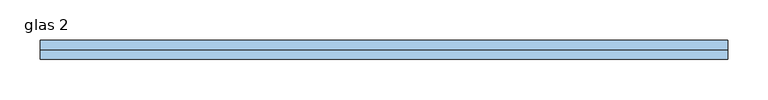
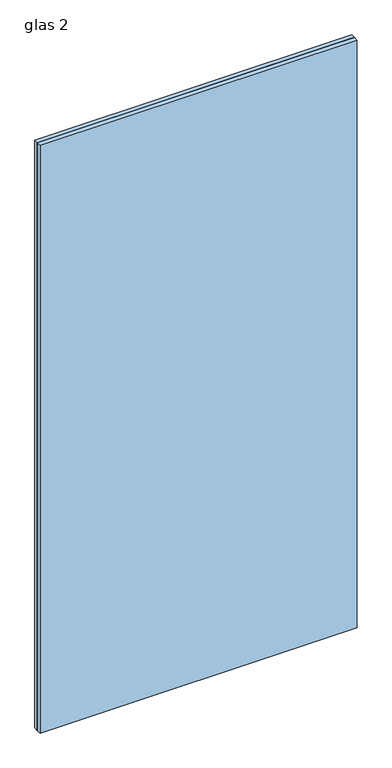
"""IFC4 building model written with IfcOpenShell, lengths in millimetres: window geometry, glas 2."""

from ifc_helpers import new_model, si_unit, origin, origin_with_axes, place, context, project, spatial, polyline, outline, extrude, source, transform, mapped, element, save


def glas_2_33cc7642(model_context):
    return source(origin(), model_context, "Body", "SweptSolid", [
        extrude(outline(polyline([(-428.8333333, 12.0), (428.8333333, 12.0), (428.8333333, 0.0), (-428.8333333, 0.0), (-428.8333333, 12.0)])), origin_with_axes(), (0.0, 0.0, 1.0), 1679.5),
        extrude(outline(polyline([(-428.8333333, 0.0), (428.8333333, 0.0), (428.8333333, -12.0), (-428.8333333, -12.0), (-428.8333333, 0.0)])), origin_with_axes(), (0.0, 0.0, 1.0), 1679.5),
    ])


if __name__ == "__main__":
    model = new_model("IFC4")
    model_context = context("Model", 3, world=origin())
    ifc_project = project(units=[si_unit("LENGTHUNIT", "METRE", prefix="MILLI")], contexts=[model_context])
    site = spatial("IfcSite", under=ifc_project)
    building = spatial("IfcBuilding", under=site)
    placement = place(None, origin())
    glas_2_shape = glas_2_33cc7642(model_context)
    element("IfcWindow", 1, ObjectType="glas 2", at=placement, inside=building, context=model_context, shape_type="MappedRepresentation", body=[
        mapped(glas_2_shape, transform((0.0, 0.0, 0.0), x_axis=(1.0, 0.0, 0.0), y_axis=(0.0, 1.0, 0.0), z_axis=(0.0, 0.0, 1.0))),
    ])
    save(model, "model.ifc")
